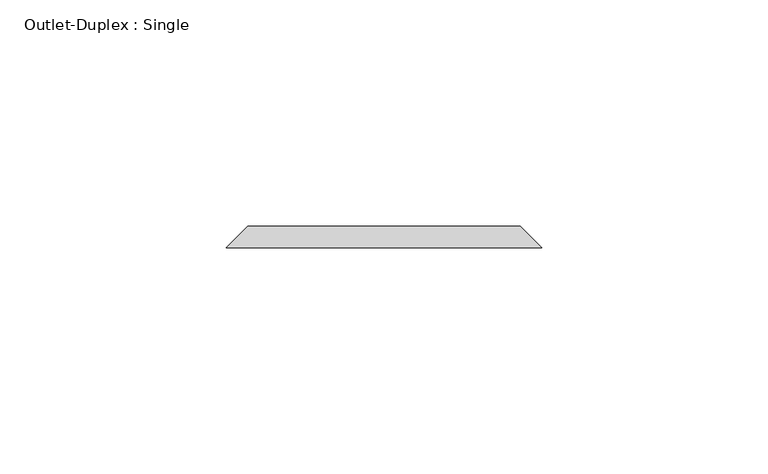
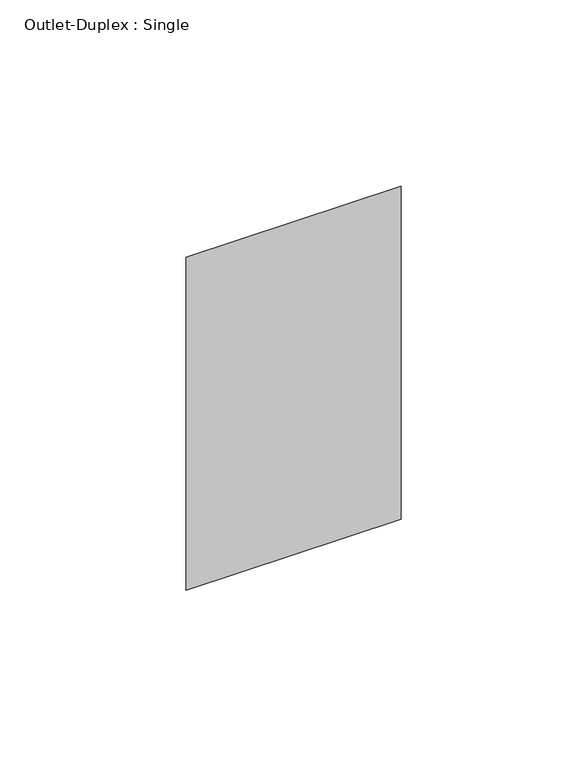
"""IFC4 building model written with IfcOpenShell, lengths in millimetres: proxy geometry, Outlet-Duplex : Single."""

from ifc_helpers import new_model, si_unit, origin, place, context, project, spatial, faceted_brep, source, transform, mapped, element, save


def outlet_duplex_single_5be54712(model_context):
    return source(origin(), model_context, "Body", "Brep", [
        faceted_brep([(-30.1625, 104.7625, 357.1875), (30.1625, 104.7625, 357.1875), (30.1625, 104.7625, 252.4125), (-30.1625, 104.7625, 252.4125), (-34.925, 100.0, 361.95), (-34.925, 100.0, 247.65), (34.925, 100.0, 247.65), (34.925, 100.0, 361.95)], [[[0, 1, 2, 3]], [[4, 5, 6, 7]], [[4, 7, 1, 0]], [[7, 6, 2, 1]], [[6, 5, 3, 2]], [[5, 4, 0, 3]]]),
    ])


if __name__ == "__main__":
    model = new_model("IFC4")
    model_context = context("Model", 3, world=origin())
    ifc_project = project(units=[si_unit("LENGTHUNIT", "METRE", prefix="MILLI")], contexts=[model_context])
    site = spatial("IfcSite", under=ifc_project)
    building = spatial("IfcBuilding", under=site)
    placement = place(None, origin())
    outlet_duplex_single_shape = outlet_duplex_single_5be54712(model_context)
    element("IfcBuildingElementProxy", 1, Name="Outlet-Duplex : Single", ObjectType="Outlet-Duplex : Single", at=placement, inside=building, context=model_context, shape_type="MappedRepresentation", body=[
        mapped(outlet_duplex_single_shape, transform((0.0, 0.0, 0.0), x_axis=(1.0, 0.0, 0.0), y_axis=(0.0, 1.0, 0.0), z_axis=(0.0, 0.0, 1.0))),
    ])
    save(model, "model.ifc")
